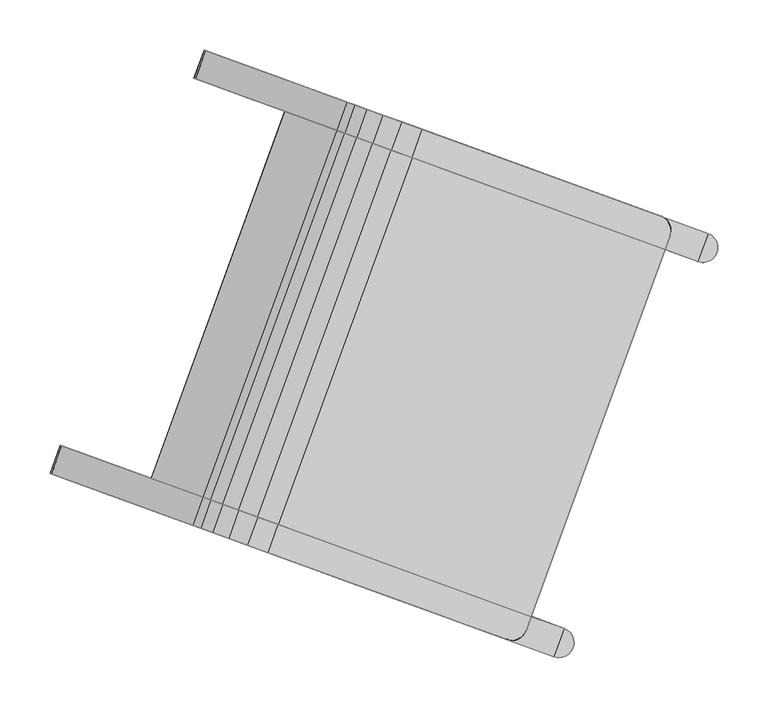
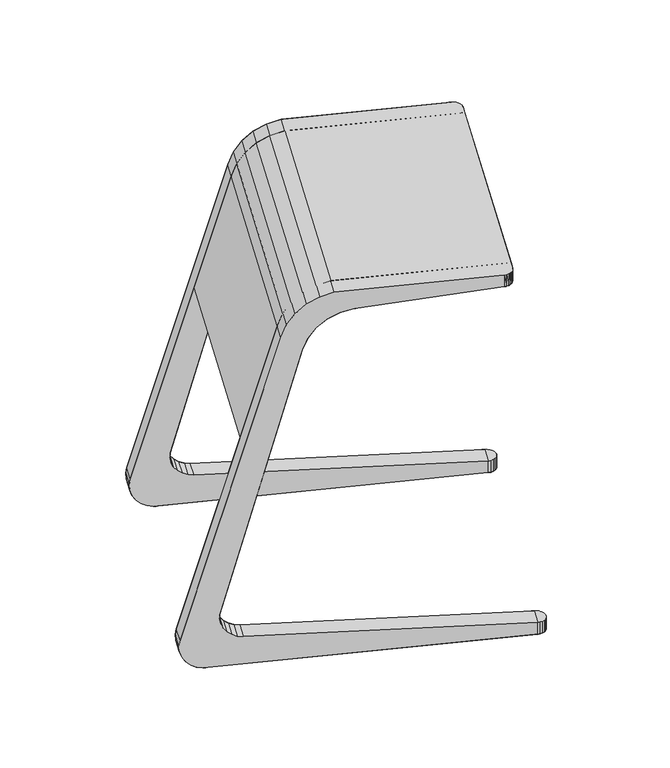
"""IFC4 building model written with IfcOpenShell, lengths in millimetres: furniture geometry."""

from ifc_helpers import new_model, si_unit, origin, place, context, project, spatial, triangles, source, transform, mapped, element, save


def furniture_e983bc9b(model_context):
    return source(origin(), model_context, "Body", "Tessellation", [
        triangles([(543.3030234, 4721.9282757, 93.477997), (542.9309531, 4722.0637325, 84.4440008), (487.7040915, 4742.1646858, 53.744998), (544.5744574, 4721.4655132, 75.5719996), (548.1413909, 4720.1673366, 67.3639977), (486.1838355, 4742.7179951, 43.6249989), (553.4282775, 4718.2430355, 60.2850012), (560.137461, 4715.8010334, 54.7349993), (519.7663787, 4730.4949039, 0.0), (510.5122924, 4733.8631576, 2.8420001), (567.8890227, 4712.979694, 51.0289983), (490.0487158, 4741.3112495, 23.6960009), (486.9805892, 4742.4280418, 33.4109989), (502.1659995, 4736.9009083, 7.9550002), (495.2103194, 4739.4325851, 15.0440002), (629.0631957, 4690.7141926, 578.3600101), (658.8279486, 4679.8806969, 552.2929965), (693.8287192, 4667.1415035, 603.559017), (664.3944693, 4677.8546577, 633.632036), (683.2043677, 4671.0084186, 644.3760023), (712.0284804, 4660.5173439, 613.0050247), (678.3160033, 4672.7876705, 589.7069919), (648.52974, 4683.6290146, 618.4299843), (703.8775244, 4663.4840233, 650.0460051), (731.836283, 4653.3079002, 617.4860012), (942.1292609, 4576.767514, 650.0460051), (942.1292609, 4576.767514, 629.2139917), (636.5223334, 4687.999242, 599.6459928), (666.4129508, 4677.1199642, 572.2729906), (945.6023047, 4574.9596302, 650.0460051), (951.0944113, 4557.5419433, 650.0460051), (948.4893378, 4572.3135708, 650.0460051), (950.5929885, 4569.0120281, 650.0460051), (693.6171042, 4635.2931568, 650.0460051), (946.2054656, 4543.3586521, 650.0460051), (951.9417433, 4561.3645298, 650.0460051), (951.7708235, 4565.2770817, 650.0460051), (951.3356757, 4557.4540127, 650.0460051), (721.5758628, 4625.1170338, 617.4860012), (946.2054656, 4543.3586521, 630.0129982), (701.7680602, 4632.3264774, 613.0050247), (672.9439475, 4642.8176975, 644.3760023), (683.5680083, 4638.9507824, 603.559017), (654.1340491, 4649.6637913, 633.632036), (638.2690291, 4655.4381481, 618.4299843), (668.0555831, 4644.596804, 589.7069919), (656.1525305, 4648.9292431, 572.2729906), (626.2616225, 4659.8085209, 599.6459928), (618.8024848, 4662.5234714, 578.3600101), (648.5672377, 4651.6899757, 552.2929965), (533.0423125, 4693.7375545, 93.477997), (477.4436713, 4713.9738193, 53.744998), (509.5059584, 4702.3041828, 0.0), (549.8770407, 4687.6103123, 54.7349993), (543.1675666, 4690.0523144, 60.2850012), (500.2518721, 4705.6722912, 2.8420001), (557.6286025, 4684.7889728, 51.0289983), (532.6702422, 4693.8730114, 84.4440008), (537.8809706, 4691.9764702, 67.3639977), (534.3137465, 4693.2747921, 75.5719996), (475.9231246, 4714.5272739, 43.6249989), (479.7880049, 4713.1205284, 23.6960009), (476.7198783, 4714.2371754, 33.4109989), (491.9055793, 4708.7101871, 7.9550002), (484.9498992, 4711.241864, 15.0440002), (576.2428733, 4709.9391819, 49.3760014), (565.982453, 4681.7484608, 49.3760014), (951.0944113, 4557.5419433, 629.9999903), (951.3356757, 4557.4540127, 630.0129982), (997.5776206, 4551.911037, 0.0), (998.7554557, 4548.1760906, 0.0), (998.9263755, 4544.2635387, 0.0), (995.4739699, 4555.2125797, 0.0), (989.113893, 4559.666523, 0.0), (992.5869368, 4557.8586391, 0.0), (978.8531821, 4531.4758018, 0.0), (998.0790435, 4540.4409523, 0.0), (996.2710143, 4536.9677631, 0.0), (993.6249549, 4534.0805847, 0.0), (990.3222495, 4531.9763527, 0.0), (982.6759139, 4530.6283245, 0.0), (986.5884658, 4530.7993896, 0.0), (978.8531821, 4531.4758018, 20.97), (989.113893, 4559.666523, 20.97), (581.3762809, 4676.1454597, 385.0460103), (566.7135131, 4681.4823433, 385.0460103), (632.4374083, 4657.560693, 574.5450176), (638.596044, 4655.3191147, 592.3710008), (661.7117842, 4646.9058201, 620.9610071), (648.5428206, 4651.6988415, 608.1419858), (677.3564688, 4641.2115455, 630.1020189), (694.5885565, 4634.9395447, 635.0459759), (946.2054656, 4543.3586521, 635.0459759), (560.2293158, 4268.8130554, 650.0460051), (539.5561591, 4276.3374508, 644.3760023), (520.7462607, 4283.1836899, 633.632036), (504.8815314, 4288.9580467, 618.4299843), (492.8741248, 4293.3282741, 599.6459928), (485.4146964, 4296.0432247, 578.3600101), (433.3257247, 4315.0020965, 385.0460103), (447.9887831, 4309.665213, 385.0460103), (499.0496199, 4291.0805916, 574.5450176), (505.2085463, 4288.8390133, 592.3710008), (515.1550322, 4285.2187401, 608.1419858), (528.3239958, 4280.4255733, 620.9610071), (543.9689711, 4274.7312988, 630.1020189), (561.2010588, 4268.4594433, 635.0459759), (812.8176772, 4176.8784054, 635.0459759), (812.8176772, 4176.8784054, 650.0460051), (997.5776206, 4551.911037, 20.97), (998.7554557, 4548.1760906, 20.97), (998.9263755, 4544.2635387, 20.97), (995.4739699, 4555.2125797, 20.97), (992.5869368, 4557.8586391, 20.97), (998.0790435, 4540.4409523, 20.97), (996.2710143, 4536.9677631, 20.97), (993.6249549, 4534.0805847, 20.97), (990.3222495, 4531.9763527, 20.97), (982.6759139, 4530.6283245, 20.97), (986.5884658, 4530.7993896, 20.97), (951.8827353, 4560.807151, 629.980006), (951.9237212, 4564.1656669, 629.9220154), (951.217369, 4567.4493328, 629.8289978), (949.7976882, 4570.493333, 629.7040054), (947.7367675, 4573.1462234, 629.555032), (945.1363448, 4575.2729832, 629.3889811), (333.795172, 4319.3028515, 53.744998), (389.0220336, 4299.2020435, 84.4440008), (389.3941039, 4299.0665867, 93.477997), (332.274916, 4319.8563061, 43.6249989), (394.2324713, 4297.3055023, 67.3639977), (390.6655379, 4298.6038242, 75.5719996), (356.6033728, 4311.0014686, 2.8420001), (365.8574591, 4307.6332149, 0.0), (406.2285414, 4292.9393444, 54.7349993), (399.5190673, 4295.3813465, 60.2850012), (413.9801032, 4290.118005, 51.0289983), (333.0716696, 4319.5662075, 33.4109989), (336.1397963, 4318.4495605, 23.6960009), (341.3013999, 4316.5708961, 15.0440002), (348.25708, 4314.0392193, 7.9550002), (504.9190291, 4257.0190079, 552.2929965), (475.1539855, 4267.8525036, 578.3600101), (558.1195609, 4237.6555096, 613.0050247), (529.2954482, 4248.1467296, 644.3760023), (510.4855498, 4254.9929687, 633.632036), (539.919509, 4244.2798145, 603.559017), (494.6208205, 4260.7671802, 618.4299843), (524.4070838, 4249.9258362, 589.7069919), (577.9273635, 4230.4462112, 617.4860012), (549.9686049, 4240.6221889, 650.0460051), (788.2203414, 4153.905825, 629.2139917), (788.2203414, 4153.905825, 650.0460051), (512.5040312, 4254.2582752, 572.2729906), (482.6134139, 4265.137553, 599.6459928), (795.9553343, 4153.2294128, 650.0460051), (807.445912, 4162.8709755, 650.0460051), (792.0427825, 4153.0583477, 650.0460051), (799.6891181, 4154.4065212, 650.0460051), (802.9921141, 4156.5107532, 650.0460051), (805.6381736, 4159.3977863, 650.0460051), (807.6874671, 4162.7830448, 650.0460051), (812.8176772, 4176.8784054, 630.0129982), (588.1880744, 4258.6369324, 617.4860012), (568.3802718, 4265.846376, 613.0050247), (550.1802199, 4272.4705356, 603.559017), (534.6677947, 4278.1167026, 589.7069919), (515.1794493, 4285.2098743, 552.2929965), (522.7647422, 4282.4489963, 572.2729906), (344.0558829, 4347.4937179, 53.744998), (399.6545241, 4327.2574531, 93.477997), (366.8640837, 4339.1921898, 2.8420001), (409.7797782, 4323.5720676, 60.2850012), (416.4892523, 4321.1300655, 54.7349993), (376.11817, 4335.8239361, 0.0), (424.2408141, 4318.3087261, 51.0289983), (399.2824538, 4327.39291, 84.4440008), (342.5353362, 4348.0470272, 43.6249989), (400.9259581, 4326.7946907, 75.5719996), (404.4931822, 4325.4963688, 67.3639977), (343.3323806, 4347.757074, 33.4109989), (346.4002166, 4346.6402817, 23.6960009), (351.5621108, 4344.7616173, 15.0440002), (358.5177909, 4342.2299404, 7.9550002), (432.5946646, 4315.268214, 49.3760014), (422.3339537, 4287.0774929, 49.3760014), (807.6874671, 4162.7830448, 630.0129982), (807.445912, 4162.8709755, 629.9999903), (842.9399665, 4136.1284944, 0.0), (852.6228057, 4142.2967953, 0.0), (849.9767462, 4139.4096895, 0.0), (846.6737502, 4137.3054575, 0.0), (839.0277053, 4135.957284, 0.0), (835.2049735, 4136.804834, 0.0), (845.4653937, 4164.9957004, 0.0), (854.4305442, 4145.7699117, 0.0), (855.1069564, 4153.5051227, 0.0), (855.2781668, 4149.5925709, 0.0), (848.9387282, 4163.1876713, 0.0), (853.929412, 4157.2400692, 0.0), (851.8257613, 4160.5417572, 0.0), (835.2049735, 4136.804834, 20.97), (845.4653937, 4164.9957004, 20.97), (842.9399665, 4136.1284944, 20.97), (852.6228057, 4142.2967953, 20.97), (849.9767462, 4139.4096895, 20.97), (846.6737502, 4137.3054575, 20.97), (839.0277053, 4135.957284, 20.97), (854.4305442, 4145.7699117, 20.97), (855.1069564, 4153.5051227, 20.97), (855.2781668, 4149.5925709, 20.97), (848.9387282, 4163.1876713, 20.97), (853.929412, 4157.2400692, 20.97), (851.8257613, 4160.5417572, 20.97), (801.1718764, 4155.2024029, 629.8289978), (803.8237494, 4157.2636143, 629.9220154), (805.9509452, 4159.8628742, 629.980006), (794.8437743, 4153.0754978, 629.555032), (798.1275855, 4153.7828674, 629.7040054), (791.484677, 4153.1177917, 629.3889811)], [[1, 2, 3], [3, 4, 5], [6, 3, 5], [2, 4, 3], [7, 8, 9], [7, 9, 10], [9, 8, 11], [12, 5, 7], [5, 12, 13], [13, 6, 5], [7, 14, 15], [7, 15, 12], [14, 7, 10], [16, 1, 3], [1, 16, 17], [18, 19, 20], [18, 20, 21], [22, 23, 19], [22, 19, 18], [21, 20, 24], [25, 21, 24], [26, 27, 25], [26, 25, 24], [16, 28, 29], [16, 29, 17], [22, 29, 28], [22, 28, 23], [31, 30, 26], [30, 31, 32], [32, 31, 33], [26, 24, 34], [35, 26, 34], [31, 36, 37], [31, 37, 33], [31, 35, 38], [39, 40, 35], [34, 39, 35], [34, 41, 39], [41, 34, 42], [43, 41, 42], [43, 42, 44], [44, 45, 46], [44, 46, 43], [47, 48, 49], [47, 49, 50], [48, 47, 46], [48, 46, 45], [51, 50, 49], [52, 51, 49], [53, 54, 55], [56, 53, 55], [57, 54, 53], [52, 58, 51], [59, 60, 52], [59, 52, 61], [58, 52, 60], [62, 55, 59], [62, 59, 63], [64, 56, 55], [65, 64, 55], [62, 65, 55], [59, 61, 63], [2, 1, 51], [2, 51, 58], [4, 2, 58], [4, 58, 60], [5, 4, 60], [5, 60, 59], [7, 5, 59], [7, 59, 55], [8, 7, 55], [8, 55, 54], [11, 8, 54], [11, 54, 57], [66, 11, 57], [66, 57, 67], [17, 50, 51], [17, 51, 1], [21, 25, 39], [21, 39, 41], [18, 21, 41], [18, 41, 43], [22, 18, 43], [22, 43, 46], [29, 22, 46], [29, 46, 47], [17, 29, 47], [17, 47, 50], [68, 69, 40], [40, 69, 38], [40, 38, 35], [49, 48, 28], [49, 28, 16], [48, 45, 23], [48, 23, 28], [19, 23, 45], [19, 45, 44], [44, 42, 20], [44, 20, 19], [42, 34, 24], [42, 24, 20], [3, 52, 49], [3, 49, 16], [53, 56, 10], [53, 10, 9], [56, 64, 14], [56, 14, 10], [64, 65, 15], [64, 15, 14], [12, 15, 65], [12, 65, 62], [62, 63, 13], [62, 13, 12], [63, 61, 6], [63, 6, 13], [61, 52, 3], [61, 3, 6], [70, 71, 72], [73, 70, 72], [74, 73, 72], [73, 74, 75], [53, 9, 74], [53, 74, 76], [74, 72, 77], [74, 77, 76], [76, 77, 78], [76, 78, 79], [76, 79, 80], [76, 80, 81], [80, 82, 81], [83, 84, 66], [83, 66, 67], [31, 38, 69], [31, 69, 68], [49, 85, 86], [85, 49, 87], [49, 48, 88], [49, 88, 87], [45, 89, 90], [45, 90, 48], [90, 88, 48], [91, 89, 44], [91, 44, 42], [89, 45, 44], [92, 91, 42], [92, 42, 34], [35, 93, 92], [35, 92, 34], [94, 34, 42], [94, 42, 95], [95, 42, 44], [95, 44, 96], [96, 44, 45], [96, 45, 97], [97, 45, 48], [97, 48, 98], [98, 48, 49], [98, 49, 99], [99, 49, 86], [99, 86, 100], [100, 86, 85], [100, 85, 101], [101, 85, 87], [101, 87, 102], [88, 103, 102], [88, 102, 87], [90, 104, 103], [90, 103, 88], [104, 90, 89], [104, 89, 105], [91, 106, 105], [91, 105, 89], [92, 107, 106], [92, 106, 91], [107, 92, 93], [107, 93, 108], [108, 93, 35], [108, 35, 109], [109, 35, 34], [109, 34, 94], [102, 99, 100], [102, 100, 101], [102, 103, 98], [102, 98, 99], [98, 104, 105], [98, 105, 97], [98, 103, 104], [95, 96, 105], [95, 105, 106], [96, 97, 105], [94, 95, 106], [94, 106, 107], [94, 107, 108], [94, 108, 109], [110, 111, 112], [113, 110, 112], [84, 113, 112], [113, 84, 114], [84, 112, 115], [84, 115, 83], [83, 115, 116], [83, 116, 117], [83, 117, 118], [83, 118, 119], [118, 120, 119], [83, 76, 81], [83, 81, 119], [119, 81, 82], [119, 82, 120], [82, 120, 118], [82, 118, 80], [118, 80, 79], [118, 79, 117], [79, 117, 116], [79, 116, 78], [116, 78, 77], [116, 77, 115], [77, 115, 112], [77, 112, 72], [112, 72, 71], [112, 71, 111], [71, 111, 110], [71, 110, 70], [110, 70, 73], [110, 73, 113], [73, 113, 114], [73, 114, 75], [114, 75, 74], [114, 74, 84], [68, 121, 122], [68, 122, 123], [31, 68, 121], [31, 121, 36], [121, 36, 37], [121, 37, 122], [37, 122, 123], [37, 123, 33], [68, 123, 124], [68, 124, 125], [68, 125, 126], [68, 126, 27], [33, 123, 124], [33, 124, 125], [33, 125, 32], [32, 125, 126], [32, 126, 30], [30, 126, 27], [30, 27, 26], [67, 57, 53], [76, 67, 53], [67, 76, 83], [84, 74, 9], [84, 9, 66], [66, 9, 11], [127, 128, 129], [130, 131, 132], [130, 132, 127], [127, 132, 128], [133, 134, 135], [133, 135, 136], [134, 137, 135], [136, 138, 139], [138, 136, 131], [131, 130, 138], [139, 140, 141], [139, 141, 136], [141, 133, 136], [127, 142, 143], [142, 127, 129], [144, 145, 146], [144, 146, 147], [147, 146, 148], [147, 148, 149], [150, 151, 145], [150, 145, 144], [151, 150, 152], [151, 152, 153], [142, 154, 155], [142, 155, 143], [148, 155, 154], [148, 154, 149], [153, 156, 157], [156, 153, 158], [156, 159, 157], [109, 94, 151], [109, 151, 153], [159, 160, 161], [159, 161, 157], [157, 162, 109], [94, 109, 163], [94, 163, 164], [95, 94, 164], [95, 164, 165], [96, 95, 165], [96, 165, 166], [166, 167, 97], [166, 97, 96], [168, 99, 98], [168, 98, 169], [97, 167, 169], [97, 169, 98], [170, 99, 168], [170, 168, 171], [172, 173, 174], [172, 174, 175], [176, 175, 174], [170, 171, 177], [178, 170, 179], [178, 179, 180], [177, 179, 170], [181, 180, 173], [182, 181, 173], [183, 173, 172], [183, 172, 184], [173, 183, 182], [181, 178, 180], [177, 171, 129], [177, 129, 128], [179, 177, 128], [179, 128, 132], [180, 179, 132], [180, 132, 131], [173, 180, 131], [173, 131, 136], [174, 173, 136], [174, 136, 135], [176, 174, 135], [176, 135, 137], [185, 176, 137], [185, 137, 186], [129, 171, 168], [129, 168, 142], [165, 164, 150], [165, 150, 144], [166, 165, 144], [166, 144, 147], [167, 166, 147], [167, 147, 149], [169, 167, 149], [169, 149, 154], [168, 169, 154], [168, 154, 142], [163, 187, 188], [109, 162, 187], [109, 187, 163], [143, 155, 98], [143, 98, 99], [155, 148, 97], [155, 97, 98], [96, 97, 148], [96, 148, 146], [146, 145, 95], [146, 95, 96], [145, 151, 94], [145, 94, 95], [143, 99, 170], [143, 170, 127], [134, 133, 172], [134, 172, 175], [133, 141, 184], [133, 184, 172], [141, 140, 183], [141, 183, 184], [182, 183, 140], [182, 140, 139], [139, 138, 181], [139, 181, 182], [138, 130, 178], [138, 178, 181], [130, 127, 170], [130, 170, 178], [189, 190, 191], [189, 191, 192], [190, 193, 194], [193, 190, 189], [195, 194, 134], [195, 134, 175], [195, 196, 190], [195, 190, 194], [197, 198, 196], [195, 197, 196], [199, 200, 197], [195, 199, 197], [199, 201, 200], [185, 186, 202], [185, 202, 203], [188, 187, 162], [188, 162, 157], [204, 205, 206], [204, 206, 207], [205, 208, 202], [208, 205, 204], [203, 209, 205], [203, 205, 202], [210, 211, 209], [203, 210, 209], [212, 213, 210], [203, 212, 210], [212, 214, 213], [212, 199, 195], [212, 195, 203], [214, 201, 199], [214, 199, 212], [200, 213, 214], [200, 214, 201], [210, 197, 200], [210, 200, 213], [198, 211, 210], [198, 210, 197], [209, 196, 198], [209, 198, 211], [190, 205, 209], [190, 209, 196], [206, 191, 190], [206, 190, 205], [192, 207, 206], [192, 206, 191], [204, 189, 192], [204, 192, 207], [193, 208, 204], [193, 204, 189], [202, 194, 193], [202, 193, 208], [215, 216, 217], [215, 217, 188], [161, 217, 188], [161, 188, 157], [216, 160, 161], [216, 161, 217], [159, 215, 216], [159, 216, 160], [218, 219, 215], [218, 215, 188], [152, 220, 218], [152, 218, 188], [219, 215, 159], [156, 218, 219], [156, 219, 159], [158, 220, 218], [158, 218, 156], [153, 152, 220], [153, 220, 158], [185, 175, 176], [203, 195, 175], [203, 175, 185], [194, 186, 134], [186, 194, 202], [186, 137, 134], [150, 164, 163], [150, 163, 152], [39, 25, 27], [39, 27, 40], [35, 31, 26], [153, 157, 109], [40, 27, 68], [163, 188, 152]], closed=False),
    ])


if __name__ == "__main__":
    model = new_model("IFC4")
    model_context = context("Model", 3, world=origin())
    ifc_project = project(units=[si_unit("LENGTHUNIT", "METRE", prefix="MILLI")], contexts=[model_context])
    site = spatial("IfcSite", under=ifc_project)
    building = spatial("IfcBuilding", under=site)
    placement = place(None, origin())
    furniture_shape = furniture_e983bc9b(model_context)
    element("IfcFurniture", 1, at=placement, inside=building, context=model_context, shape_type="MappedRepresentation", body=[
        mapped(furniture_shape, transform((0.0, 0.0, 0.0), x_axis=(1.0, 0.0, 0.0), y_axis=(0.0, 1.0, 0.0), z_axis=(0.0, 0.0, 1.0))),
    ])
    save(model, "model.ifc")
